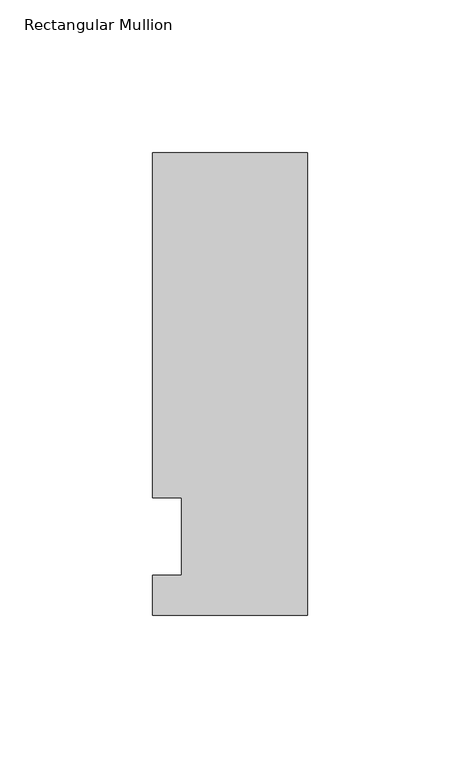
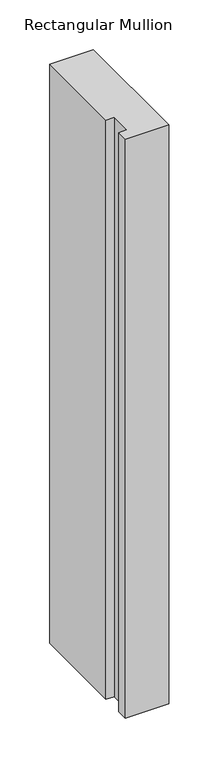
"""IFC4 building model written with IfcOpenShell, lengths in millimetres: member geometry, Rectangular Mullion."""

from ifc_helpers import new_model, si_unit, frame, origin, place, context, project, spatial, polyline, outline, extrude, source, transform, mapped, element, save


def rectangular_mullion_b669515c(model_context):
    return source(origin(), model_context, "Body", "SweptSolid", [
        extrude(outline(polyline([(-50.8, -25.7961253), (-50.8, -12.7), (-41.275, -12.7), (-41.275, 12.7), (-50.8, 12.7), (-50.8, 125.8036906), (0.0, 125.8036906), (0.0, -25.7961253), (-50.8, -25.7961253)])), frame((0.0, 0.0, -711.2), z_axis=(0.0, 0.0, 1.0), x_axis=(1.0, 0.0, 0.0)), (0.0, 0.0, 1.0), 711.2),
    ])


if __name__ == "__main__":
    model = new_model("IFC4")
    model_context = context("Model", 3, world=origin())
    ifc_project = project(units=[si_unit("LENGTHUNIT", "METRE", prefix="MILLI")], contexts=[model_context])
    site = spatial("IfcSite", under=ifc_project)
    building = spatial("IfcBuilding", under=site)
    placement = place(None, origin())
    rectangular_mullion_shape = rectangular_mullion_b669515c(model_context)
    element("IfcMember", 1, ObjectType="Rectangular Mullion", at=placement, inside=building, context=model_context, shape_type="MappedRepresentation", body=[
        mapped(rectangular_mullion_shape, transform((0.0, 0.0, 0.0), x_axis=(1.0, 0.0, 0.0), y_axis=(0.0, 1.0, 0.0), z_axis=(0.0, 0.0, 1.0))),
    ])
    save(model, "model.ifc")
